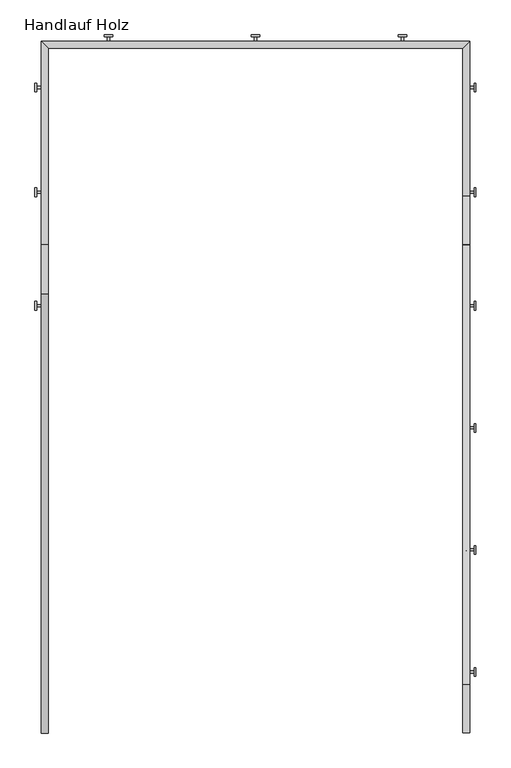
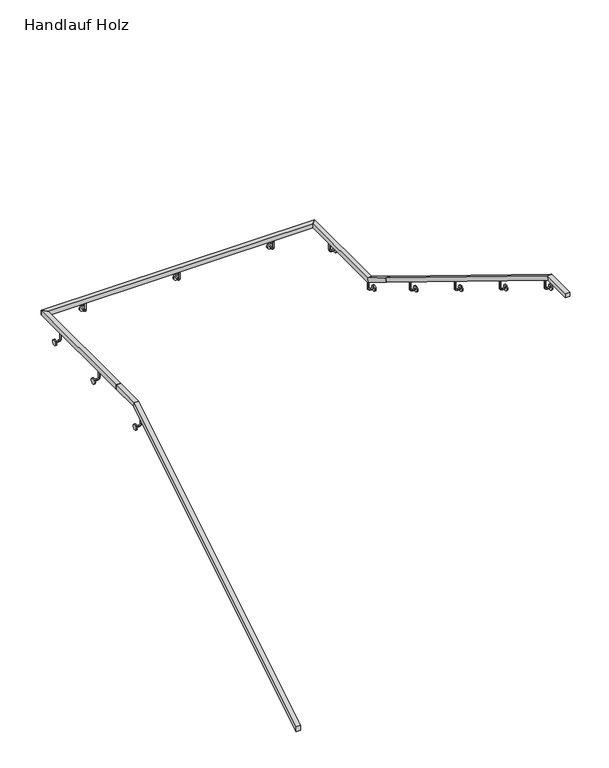
"""IFC4 building model written with IfcOpenShell, lengths in millimetres: railing geometry, Handlauf Holz."""

from ifc_helpers import new_model, si_unit, point, frame, frame_2d, origin, place, context, project, spatial, circle_curve, ellipse_curve, trimmed, segment, composite_curve, outline, extrude, faceted_brep, source, transform, mapped, element, save
from ifc_brep_helpers import plane_surface, cylinder_surface, revolved_surface, advanced_brep


def handlauf_holz_554b92a1(model_context):
    return source(origin(), model_context, "Body", "SolidModel", [
        faceted_brep([(11017.0, 3985.4, 4675.0), (11017.0, 3985.4, 4628.0610765), (11057.0, 3985.4, 4628.0610765), (11057.0, 3985.4, 4675.0), (11017.0, 6550.4, 6250.0), (11017.0, 6561.7005326, 6210.0), (11057.0, 6561.7005326, 6210.0), (11057.0, 6550.4, 6250.0), (11017.0, 6835.4, 6250.0), (11057.0, 6835.4, 6250.0), (11057.0, 6835.4, 6210.0), (11017.0, 6835.4, 6210.0)], [[[0, 1, 2, 3]], [[1, 0, 4, 5]], [[2, 1, 5, 6]], [[3, 2, 6, 7]], [[0, 3, 7, 4]], [[8, 9, 10, 11]], [[5, 4, 8, 11]], [[6, 5, 11, 10]], [[7, 6, 10, 9]], [[4, 7, 9, 8]]]),
        faceted_brep([(11017.0, 6835.4, 6250.0), (11017.0, 6835.4, 6210.0), (11057.0, 6835.4, 6210.0), (11057.0, 6835.4, 6250.0), (11017.0, 8023.0, 6250.0), (11057.0, 7983.0, 6250.0), (11057.0, 7983.0, 6210.0), (11017.0, 8023.0, 6210.0)], [[[0, 1, 2, 3]], [[4, 5, 6, 7]], [[1, 0, 4, 7]], [[2, 1, 7, 6]], [[3, 2, 6, 5]], [[0, 3, 5, 4]]]),
        faceted_brep([(11017.0, 8023.0, 6250.0), (11017.0, 8023.0, 6210.0), (11057.0, 7983.0, 6210.0), (11057.0, 7983.0, 6250.0), (13517.2, 8023.0, 6250.0), (13477.2, 7983.0, 6250.0), (13477.2, 7983.0, 6210.0), (13517.2, 8023.0, 6210.0)], [[[0, 1, 2, 3]], [[4, 5, 6, 7]], [[1, 0, 4, 7]], [[2, 1, 7, 6]], [[3, 2, 6, 5]], [[0, 3, 5, 4]]]),
        faceted_brep([(13517.2, 8023.0, 6250.0), (13517.2, 8023.0, 6210.0), (13477.2, 7983.0, 6210.0), (13477.2, 7983.0, 6250.0), (13517.2, 7120.4, 6250.0), (13517.2, 7109.0994674, 6210.0), (13477.2, 7109.0994674, 6210.0), (13477.2, 7120.4, 6250.0), (13517.2, 6835.4, 6425.0), (13477.2, 6835.4, 6425.0), (13477.2, 6814.4694787, 6390.913151), (13517.2, 6814.4694787, 6390.913151)], [[[0, 1, 2, 3]], [[1, 0, 4, 5]], [[2, 1, 5, 6]], [[3, 2, 6, 7]], [[0, 3, 7, 4]], [[8, 9, 10, 11]], [[5, 4, 8, 11]], [[6, 5, 11, 10]], [[7, 6, 10, 9]], [[4, 7, 9, 8]]]),
        faceted_brep([(13517.2, 6835.4, 6425.0), (13517.2, 6814.4694787, 6390.913151), (13477.2, 6814.4694787, 6390.913151), (13477.2, 6835.4, 6425.0), (13517.2, 4270.4, 8000.0), (13517.2, 4259.0994674, 7960.0), (13477.2, 4259.0994674, 7960.0), (13477.2, 4270.4, 8000.0), (13517.2, 3985.4, 8000.0), (13477.2, 3985.4, 8000.0), (13477.2, 3985.4, 7960.0), (13517.2, 3985.4, 7960.0)], [[[0, 1, 2, 3]], [[1, 0, 4, 5]], [[2, 1, 5, 6]], [[3, 2, 6, 7]], [[0, 3, 7, 4]], [[8, 9, 10, 11]], [[5, 4, 8, 11]], [[6, 5, 11, 10]], [[7, 6, 10, 9]], [[4, 7, 9, 8]]]),
        advanced_brep(
        [(13497.2, 4348.0, 7897.2), (13497.2, 4335.3, 7897.2), (13497.2, 4335.3, 7840.05), (13497.2, 4348.0, 7840.05), (13516.25, 4335.3, 7821.0), (13516.25, 4348.0, 7821.0), (13544.825, 4348.0, 7821.0), (13544.825, 4335.3, 7821.0)],
        [
            (0, 1, circle_curve(frame((13497.2, 4341.65, 7897.2), z_axis=(0.0, 0.0, 1.0), x_axis=(0.0, -1.0, 0.0)), 6.35)),
            (1, 0, circle_curve(frame((13497.2, 4341.65, 7897.2), z_axis=(0.0, 0.0, 1.0), x_axis=(0.0, -1.0, 0.0)), 6.35)),
            (1, 2),
            (2, 3, circle_curve(frame((13497.2, 4341.65, 7840.05), z_axis=(0.0, 0.0, 1.0), x_axis=(0.0, -1.0, 0.0)), 6.35)),
            (3, 0),
            (3, 2, circle_curve(frame((13497.2, 4341.65, 7840.05), z_axis=(0.0, 0.0, 1.0), x_axis=(0.0, -1.0, 0.0)), 6.35)),
            (4, 5, circle_curve(frame((13516.25, 4341.65, 7821.0), z_axis=(-1.0, 0.0, 0.0), x_axis=(0.0, -1.0, 0.0)), 6.35)),
            (5, 3, circle_curve(frame((13516.25, 4348.0, 7840.05), z_axis=(0.0, 1.0, 0.0), x_axis=(-1.0, 0.0, 0.0)), 19.05)),
            (2, 4, circle_curve(frame((13516.25, 4335.3, 7840.05), z_axis=(0.0, -1.0, 0.0), x_axis=(-1.0, 0.0, 0.0)), 19.05)),
            (5, 4, circle_curve(frame((13516.25, 4341.65, 7821.0), z_axis=(-1.0, 0.0, 0.0), x_axis=(0.0, -1.0, 0.0)), 6.35)),
            (6, 7, circle_curve(frame((13544.825, 4341.65, 7821.0), z_axis=(1.0, 0.0, 0.0), x_axis=(0.0, -1.0, 0.0)), 6.35)),
            (7, 6, circle_curve(frame((13544.825, 4341.65, 7821.0), z_axis=(1.0, 0.0, 0.0), x_axis=(0.0, -1.0, 0.0)), 6.35)),
            (4, 7),
            (6, 5),
        ],
        [
            plane_surface(frame((13497.2, 4335.3, 7897.2), z_axis=(0.0, 0.0, 1.0), x_axis=(1.0, 0.0, 0.0))),
            cylinder_surface(frame((13497.2, 4341.65, 7897.2), z_axis=(0.0, 0.0, 1.0), x_axis=(0.0, -1.0, 0.0)), 6.35),
            revolved_surface(trimmed(ellipse_curve(frame((13497.2, 4341.65, 7840.05), z_axis=(0.0, 0.0, -1.0), x_axis=(0.0, -1.0, 0.0)), 6.35, 6.35), [point((13497.2, 4348.0, 7840.05))], [point((13497.2, 4335.3, 7840.05))], True, "CARTESIAN"), (13516.25, 4341.65, 7840.05), (0.0, 1.0, 0.0)),
            revolved_surface(trimmed(ellipse_curve(frame((13497.2, 4341.65, 7840.05), z_axis=(0.0, 0.0, -1.0), x_axis=(0.0, -1.0, 0.0)), 6.35, 6.35), [point((13497.2, 4335.3, 7840.05))], [point((13497.2, 4348.0, 7840.05))], True, "CARTESIAN"), (13516.25, 4341.65, 7840.05), (0.0, 1.0, 0.0)),
            plane_surface(frame((13544.825, 4341.65, 7814.65), z_axis=(1.0, 0.0, 0.0), x_axis=(0.0, -1.0, 0.0))),
            cylinder_surface(frame((13516.25, 4341.65, 7821.0), z_axis=(-1.0, 0.0, 0.0), x_axis=(0.0, -1.0, 0.0)), 6.35),
        ],
        [
            (0, [[1, 2]]),
            (1, [[3, 4, 5, -2]]),
            (1, [[-5, 6, -3, -1]]),
            (2, [[7, 8, -4, 9]]),
            (3, [[10, -9, -6, -8]]),
            (4, [[11, 12]]),
            (5, [[13, -11, 14, -7]]),
            (5, [[-14, -12, -13, -10]]),
        ],
    ),
        extrude(outline(composite_curve([segment(trimmed(circle_curve(frame_2d((4341.65, 7821.0)), 25.4), [point((4316.25, 7821.0))], [point((4367.05, 7821.0))], False, "CARTESIAN"), True, "CONTINUOUS"), segment(trimmed(circle_curve(frame_2d((4341.65, 7821.0)), 25.4), [point((4367.05, 7821.0))], [point((4316.25, 7821.0))], False, "CARTESIAN"), True, "CONTINUOUS")], self_intersect=False)), frame((13544.825, 0.0, 0.0), z_axis=(1.0, 0.0, 0.0), x_axis=(0.0, 1.0, 0.0)), (0.0, 0.0, 1.0), 9.525),
        advanced_brep(
        [(13497.2, 5060.5, 7459.7), (13497.2, 5047.8, 7459.7), (13497.2, 5047.8, 7402.55), (13497.2, 5060.5, 7402.55), (13516.25, 5047.8, 7383.5), (13516.25, 5060.5, 7383.5), (13544.825, 5060.5, 7383.5), (13544.825, 5047.8, 7383.5)],
        [
            (0, 1, circle_curve(frame((13497.2, 5054.15, 7459.7), z_axis=(0.0, 0.0, 1.0), x_axis=(0.0, -1.0, 0.0)), 6.35)),
            (1, 0, circle_curve(frame((13497.2, 5054.15, 7459.7), z_axis=(0.0, 0.0, 1.0), x_axis=(0.0, -1.0, 0.0)), 6.35)),
            (1, 2),
            (2, 3, circle_curve(frame((13497.2, 5054.15, 7402.55), z_axis=(0.0, 0.0, 1.0), x_axis=(0.0, -1.0, 0.0)), 6.35)),
            (3, 0),
            (3, 2, circle_curve(frame((13497.2, 5054.15, 7402.55), z_axis=(0.0, 0.0, 1.0), x_axis=(0.0, -1.0, 0.0)), 6.35)),
            (4, 5, circle_curve(frame((13516.25, 5054.15, 7383.5), z_axis=(-1.0, 0.0, 0.0), x_axis=(0.0, -1.0, 0.0)), 6.35)),
            (5, 3, circle_curve(frame((13516.25, 5060.5, 7402.55), z_axis=(0.0, 1.0, 0.0), x_axis=(-1.0, 0.0, 0.0)), 19.05)),
            (2, 4, circle_curve(frame((13516.25, 5047.8, 7402.55), z_axis=(0.0, -1.0, 0.0), x_axis=(-1.0, 0.0, 0.0)), 19.05)),
            (5, 4, circle_curve(frame((13516.25, 5054.15, 7383.5), z_axis=(-1.0, 0.0, 0.0), x_axis=(0.0, -1.0, 0.0)), 6.35)),
            (6, 7, circle_curve(frame((13544.825, 5054.15, 7383.5), z_axis=(1.0, 0.0, 0.0), x_axis=(0.0, -1.0, 0.0)), 6.35)),
            (7, 6, circle_curve(frame((13544.825, 5054.15, 7383.5), z_axis=(1.0, 0.0, 0.0), x_axis=(0.0, -1.0, 0.0)), 6.35)),
            (4, 7),
            (6, 5),
        ],
        [
            plane_surface(frame((13497.2, 5047.8, 7459.7), z_axis=(0.0, 0.0, 1.0), x_axis=(1.0, 0.0, 0.0))),
            cylinder_surface(frame((13497.2, 5054.15, 7459.7), z_axis=(0.0, 0.0, 1.0), x_axis=(0.0, -1.0, 0.0)), 6.35),
            revolved_surface(trimmed(ellipse_curve(frame((13497.2, 5054.15, 7402.55), z_axis=(0.0, 0.0, -1.0), x_axis=(0.0, -1.0, 0.0)), 6.35, 6.35), [point((13497.2, 5060.5, 7402.55))], [point((13497.2, 5047.8, 7402.55))], True, "CARTESIAN"), (13516.25, 5054.15, 7402.55), (0.0, 1.0, 0.0)),
            revolved_surface(trimmed(ellipse_curve(frame((13497.2, 5054.15, 7402.55), z_axis=(0.0, 0.0, -1.0), x_axis=(0.0, -1.0, 0.0)), 6.35, 6.35), [point((13497.2, 5047.8, 7402.55))], [point((13497.2, 5060.5, 7402.55))], True, "CARTESIAN"), (13516.25, 5054.15, 7402.55), (0.0, 1.0, 0.0)),
            plane_surface(frame((13544.825, 5054.15, 7377.15), z_axis=(1.0, 0.0, 0.0), x_axis=(0.0, -1.0, 0.0))),
            cylinder_surface(frame((13516.25, 5054.15, 7383.5), z_axis=(-1.0, 0.0, 0.0), x_axis=(0.0, -1.0, 0.0)), 6.35),
        ],
        [
            (0, [[1, 2]]),
            (1, [[3, 4, 5, -2]]),
            (1, [[-5, 6, -3, -1]]),
            (2, [[7, 8, -4, 9]]),
            (3, [[10, -9, -6, -8]]),
            (4, [[11, 12]]),
            (5, [[13, -11, 14, -7]]),
            (5, [[-14, -12, -13, -10]]),
        ],
    ),
        extrude(outline(composite_curve([segment(trimmed(circle_curve(frame_2d((5054.15, 7383.5)), 25.4), [point((5028.75, 7383.5))], [point((5079.55, 7383.5))], False, "CARTESIAN"), True, "CONTINUOUS"), segment(trimmed(circle_curve(frame_2d((5054.15, 7383.5)), 25.4), [point((5079.55, 7383.5))], [point((5028.75, 7383.5))], False, "CARTESIAN"), True, "CONTINUOUS")], self_intersect=False)), frame((13544.825, 0.0, 0.0), z_axis=(1.0, 0.0, 0.0), x_axis=(0.0, 1.0, 0.0)), (0.0, 0.0, 1.0), 9.525),
        advanced_brep(
        [(13497.2, 5773.0, 7022.2), (13497.2, 5760.3, 7022.2), (13497.2, 5760.3, 6965.05), (13497.2, 5773.0, 6965.05), (13516.25, 5760.3, 6946.0), (13516.25, 5773.0, 6946.0), (13544.825, 5773.0, 6946.0), (13544.825, 5760.3, 6946.0)],
        [
            (0, 1, circle_curve(frame((13497.2, 5766.65, 7022.2), z_axis=(0.0, 0.0, 1.0), x_axis=(0.0, -1.0, 0.0)), 6.35)),
            (1, 0, circle_curve(frame((13497.2, 5766.65, 7022.2), z_axis=(0.0, 0.0, 1.0), x_axis=(0.0, -1.0, 0.0)), 6.35)),
            (1, 2),
            (2, 3, circle_curve(frame((13497.2, 5766.65, 6965.05), z_axis=(0.0, 0.0, 1.0), x_axis=(0.0, -1.0, 0.0)), 6.35)),
            (3, 0),
            (3, 2, circle_curve(frame((13497.2, 5766.65, 6965.05), z_axis=(0.0, 0.0, 1.0), x_axis=(0.0, -1.0, 0.0)), 6.35)),
            (4, 5, circle_curve(frame((13516.25, 5766.65, 6946.0), z_axis=(-1.0, 0.0, 0.0), x_axis=(0.0, -1.0, 0.0)), 6.35)),
            (5, 3, circle_curve(frame((13516.25, 5773.0, 6965.05), z_axis=(0.0, 1.0, 0.0), x_axis=(-1.0, 0.0, 0.0)), 19.05)),
            (2, 4, circle_curve(frame((13516.25, 5760.3, 6965.05), z_axis=(0.0, -1.0, 0.0), x_axis=(-1.0, 0.0, 0.0)), 19.05)),
            (5, 4, circle_curve(frame((13516.25, 5766.65, 6946.0), z_axis=(-1.0, 0.0, 0.0), x_axis=(0.0, -1.0, 0.0)), 6.35)),
            (6, 7, circle_curve(frame((13544.825, 5766.65, 6946.0), z_axis=(1.0, 0.0, 0.0), x_axis=(0.0, -1.0, 0.0)), 6.35)),
            (7, 6, circle_curve(frame((13544.825, 5766.65, 6946.0), z_axis=(1.0, 0.0, 0.0), x_axis=(0.0, -1.0, 0.0)), 6.35)),
            (4, 7),
            (6, 5),
        ],
        [
            plane_surface(frame((13497.2, 5760.3, 7022.2), z_axis=(0.0, 0.0, 1.0), x_axis=(1.0, 0.0, 0.0))),
            cylinder_surface(frame((13497.2, 5766.65, 7022.2), z_axis=(0.0, 0.0, 1.0), x_axis=(0.0, -1.0, 0.0)), 6.35),
            revolved_surface(trimmed(ellipse_curve(frame((13497.2, 5766.65, 6965.05), z_axis=(0.0, 0.0, -1.0), x_axis=(0.0, -1.0, 0.0)), 6.35, 6.35), [point((13497.2, 5773.0, 6965.05))], [point((13497.2, 5760.3, 6965.05))], True, "CARTESIAN"), (13516.25, 5766.65, 6965.05), (0.0, 1.0, 0.0)),
            revolved_surface(trimmed(ellipse_curve(frame((13497.2, 5766.65, 6965.05), z_axis=(0.0, 0.0, -1.0), x_axis=(0.0, -1.0, 0.0)), 6.35, 6.35), [point((13497.2, 5760.3, 6965.05))], [point((13497.2, 5773.0, 6965.05))], True, "CARTESIAN"), (13516.25, 5766.65, 6965.05), (0.0, 1.0, 0.0)),
            plane_surface(frame((13544.825, 5766.65, 6939.65), z_axis=(1.0, 0.0, 0.0), x_axis=(0.0, -1.0, 0.0))),
            cylinder_surface(frame((13516.25, 5766.65, 6946.0), z_axis=(-1.0, 0.0, 0.0), x_axis=(0.0, -1.0, 0.0)), 6.35),
        ],
        [
            (0, [[1, 2]]),
            (1, [[3, 4, 5, -2]]),
            (1, [[-5, 6, -3, -1]]),
            (2, [[7, 8, -4, 9]]),
            (3, [[10, -9, -6, -8]]),
            (4, [[11, 12]]),
            (5, [[13, -11, 14, -7]]),
            (5, [[-14, -12, -13, -10]]),
        ],
    ),
        extrude(outline(composite_curve([segment(trimmed(circle_curve(frame_2d((5766.65, 6946.0)), 25.4), [point((5741.25, 6946.0))], [point((5792.05, 6946.0))], False, "CARTESIAN"), True, "CONTINUOUS"), segment(trimmed(circle_curve(frame_2d((5766.65, 6946.0)), 25.4), [point((5792.05, 6946.0))], [point((5741.25, 6946.0))], False, "CARTESIAN"), True, "CONTINUOUS")], self_intersect=False)), frame((13544.825, 0.0, 0.0), z_axis=(1.0, 0.0, 0.0), x_axis=(0.0, 1.0, 0.0)), (0.0, 0.0, 1.0), 9.525),
        advanced_brep(
        [(13497.2, 6485.5, 6584.7), (13497.2, 6472.8, 6584.7), (13497.2, 6472.8, 6527.55), (13497.2, 6485.5, 6527.55), (13516.25, 6472.8, 6508.5), (13516.25, 6485.5, 6508.5), (13544.825, 6485.5, 6508.5), (13544.825, 6472.8, 6508.5)],
        [
            (0, 1, circle_curve(frame((13497.2, 6479.15, 6584.7), z_axis=(0.0, 0.0, 1.0), x_axis=(0.0, -1.0, 0.0)), 6.35)),
            (1, 0, circle_curve(frame((13497.2, 6479.15, 6584.7), z_axis=(0.0, 0.0, 1.0), x_axis=(0.0, -1.0, 0.0)), 6.35)),
            (1, 2),
            (2, 3, circle_curve(frame((13497.2, 6479.15, 6527.55), z_axis=(0.0, 0.0, 1.0), x_axis=(0.0, -1.0, 0.0)), 6.35)),
            (3, 0),
            (3, 2, circle_curve(frame((13497.2, 6479.15, 6527.55), z_axis=(0.0, 0.0, 1.0), x_axis=(0.0, -1.0, 0.0)), 6.35)),
            (4, 5, circle_curve(frame((13516.25, 6479.15, 6508.5), z_axis=(-1.0, 0.0, 0.0), x_axis=(0.0, -1.0, 0.0)), 6.35)),
            (5, 3, circle_curve(frame((13516.25, 6485.5, 6527.55), z_axis=(0.0, 1.0, 0.0), x_axis=(-1.0, 0.0, 0.0)), 19.05)),
            (2, 4, circle_curve(frame((13516.25, 6472.8, 6527.55), z_axis=(0.0, -1.0, 0.0), x_axis=(-1.0, 0.0, 0.0)), 19.05)),
            (5, 4, circle_curve(frame((13516.25, 6479.15, 6508.5), z_axis=(-1.0, 0.0, 0.0), x_axis=(0.0, -1.0, 0.0)), 6.35)),
            (6, 7, circle_curve(frame((13544.825, 6479.15, 6508.5), z_axis=(1.0, 0.0, 0.0), x_axis=(0.0, -1.0, 0.0)), 6.35)),
            (7, 6, circle_curve(frame((13544.825, 6479.15, 6508.5), z_axis=(1.0, 0.0, 0.0), x_axis=(0.0, -1.0, 0.0)), 6.35)),
            (4, 7),
            (6, 5),
        ],
        [
            plane_surface(frame((13497.2, 6472.8, 6584.7), z_axis=(0.0, 0.0, 1.0), x_axis=(1.0, 0.0, 0.0))),
            cylinder_surface(frame((13497.2, 6479.15, 6584.7), z_axis=(0.0, 0.0, 1.0), x_axis=(0.0, -1.0, 0.0)), 6.35),
            revolved_surface(trimmed(ellipse_curve(frame((13497.2, 6479.15, 6527.55), z_axis=(0.0, 0.0, -1.0), x_axis=(0.0, -1.0, 0.0)), 6.35, 6.35), [point((13497.2, 6485.5, 6527.55))], [point((13497.2, 6472.8, 6527.55))], True, "CARTESIAN"), (13516.25, 6479.15, 6527.55), (0.0, 1.0, 0.0)),
            revolved_surface(trimmed(ellipse_curve(frame((13497.2, 6479.15, 6527.55), z_axis=(0.0, 0.0, -1.0), x_axis=(0.0, -1.0, 0.0)), 6.35, 6.35), [point((13497.2, 6472.8, 6527.55))], [point((13497.2, 6485.5, 6527.55))], True, "CARTESIAN"), (13516.25, 6479.15, 6527.55), (0.0, 1.0, 0.0)),
            plane_surface(frame((13544.825, 6479.15, 6502.15), z_axis=(1.0, 0.0, 0.0), x_axis=(0.0, -1.0, 0.0))),
            cylinder_surface(frame((13516.25, 6479.15, 6508.5), z_axis=(-1.0, 0.0, 0.0), x_axis=(0.0, -1.0, 0.0)), 6.35),
        ],
        [
            (0, [[1, 2]]),
            (1, [[3, 4, 5, -2]]),
            (1, [[-5, 6, -3, -1]]),
            (2, [[7, 8, -4, 9]]),
            (3, [[10, -9, -6, -8]]),
            (4, [[11, 12]]),
            (5, [[13, -11, 14, -7]]),
            (5, [[-14, -12, -13, -10]]),
        ],
    ),
        extrude(outline(composite_curve([segment(trimmed(circle_curve(frame_2d((6479.15, 6508.5)), 25.4), [point((6453.75, 6508.5))], [point((6504.55, 6508.5))], False, "CARTESIAN"), True, "CONTINUOUS"), segment(trimmed(circle_curve(frame_2d((6479.15, 6508.5)), 25.4), [point((6504.55, 6508.5))], [point((6453.75, 6508.5))], False, "CARTESIAN"), True, "CONTINUOUS")], self_intersect=False)), frame((13544.825, 0.0, 0.0), z_axis=(1.0, 0.0, 0.0), x_axis=(0.0, 1.0, 0.0)), (0.0, 0.0, 1.0), 9.525),
        advanced_brep(
        [(13497.2, 7147.9, 6190.95), (13497.2, 7135.2, 6190.95), (13497.2, 7135.2, 6133.8), (13497.2, 7147.9, 6133.8), (13516.25, 7135.2, 6114.75), (13516.25, 7147.9, 6114.75), (13544.825, 7147.9, 6114.75), (13544.825, 7135.2, 6114.75)],
        [
            (0, 1, circle_curve(frame((13497.2, 7141.55, 6190.95), z_axis=(0.0, 0.0, 1.0), x_axis=(0.0, -1.0, 0.0)), 6.35)),
            (1, 0, circle_curve(frame((13497.2, 7141.55, 6190.95), z_axis=(0.0, 0.0, 1.0), x_axis=(0.0, -1.0, 0.0)), 6.35)),
            (1, 2),
            (2, 3, circle_curve(frame((13497.2, 7141.55, 6133.8), z_axis=(0.0, 0.0, 1.0), x_axis=(0.0, -1.0, 0.0)), 6.35)),
            (3, 0),
            (3, 2, circle_curve(frame((13497.2, 7141.55, 6133.8), z_axis=(0.0, 0.0, 1.0), x_axis=(0.0, -1.0, 0.0)), 6.35)),
            (4, 5, circle_curve(frame((13516.25, 7141.55, 6114.75), z_axis=(-1.0, 0.0, 0.0), x_axis=(0.0, -1.0, 0.0)), 6.35)),
            (5, 3, circle_curve(frame((13516.25, 7147.9, 6133.8), z_axis=(0.0, 1.0, 0.0), x_axis=(-1.0, 0.0, 0.0)), 19.05)),
            (2, 4, circle_curve(frame((13516.25, 7135.2, 6133.8), z_axis=(0.0, -1.0, 0.0), x_axis=(-1.0, 0.0, 0.0)), 19.05)),
            (5, 4, circle_curve(frame((13516.25, 7141.55, 6114.75), z_axis=(-1.0, 0.0, 0.0), x_axis=(0.0, -1.0, 0.0)), 6.35)),
            (6, 7, circle_curve(frame((13544.825, 7141.55, 6114.75), z_axis=(1.0, 0.0, 0.0), x_axis=(0.0, -1.0, 0.0)), 6.35)),
            (7, 6, circle_curve(frame((13544.825, 7141.55, 6114.75), z_axis=(1.0, 0.0, 0.0), x_axis=(0.0, -1.0, 0.0)), 6.35)),
            (4, 7),
            (6, 5),
        ],
        [
            plane_surface(frame((13497.2, 7135.2, 6190.95), z_axis=(0.0, 0.0, 1.0), x_axis=(1.0, 0.0, 0.0))),
            cylinder_surface(frame((13497.2, 7141.55, 6190.95), z_axis=(0.0, 0.0, 1.0), x_axis=(0.0, -1.0, 0.0)), 6.35),
            revolved_surface(trimmed(ellipse_curve(frame((13497.2, 7141.55, 6133.8), z_axis=(0.0, 0.0, -1.0), x_axis=(0.0, -1.0, 0.0)), 6.35, 6.35), [point((13497.2, 7147.9, 6133.8))], [point((13497.2, 7135.2, 6133.8))], True, "CARTESIAN"), (13516.25, 7141.55, 6133.8), (0.0, 1.0, 0.0)),
            revolved_surface(trimmed(ellipse_curve(frame((13497.2, 7141.55, 6133.8), z_axis=(0.0, 0.0, -1.0), x_axis=(0.0, -1.0, 0.0)), 6.35, 6.35), [point((13497.2, 7135.2, 6133.8))], [point((13497.2, 7147.9, 6133.8))], True, "CARTESIAN"), (13516.25, 7141.55, 6133.8), (0.0, 1.0, 0.0)),
            plane_surface(frame((13544.825, 7141.55, 6108.4), z_axis=(1.0, 0.0, 0.0), x_axis=(0.0, -1.0, 0.0))),
            cylinder_surface(frame((13516.25, 7141.55, 6114.75), z_axis=(-1.0, 0.0, 0.0), x_axis=(0.0, -1.0, 0.0)), 6.35),
        ],
        [
            (0, [[1, 2]]),
            (1, [[3, 4, 5, -2]]),
            (1, [[-5, 6, -3, -1]]),
            (2, [[7, 8, -4, 9]]),
            (3, [[10, -9, -6, -8]]),
            (4, [[11, 12]]),
            (5, [[13, -11, 14, -7]]),
            (5, [[-14, -12, -13, -10]]),
        ],
    ),
        extrude(outline(composite_curve([segment(trimmed(circle_curve(frame_2d((7141.55, 6114.75)), 25.4), [point((7116.15, 6114.75))], [point((7166.95, 6114.75))], False, "CARTESIAN"), True, "CONTINUOUS"), segment(trimmed(circle_curve(frame_2d((7141.55, 6114.75)), 25.4), [point((7166.95, 6114.75))], [point((7116.15, 6114.75))], False, "CARTESIAN"), True, "CONTINUOUS")], self_intersect=False)), frame((13544.825, 0.0, 0.0), z_axis=(1.0, 0.0, 0.0), x_axis=(0.0, 1.0, 0.0)), (0.0, 0.0, 1.0), 9.525),
        advanced_brep(
        [(13497.2, 7760.2, 6190.95), (13497.2, 7747.5, 6190.95), (13497.2, 7747.5, 6133.8), (13497.2, 7760.2, 6133.8), (13516.25, 7747.5, 6114.75), (13516.25, 7760.2, 6114.75), (13544.825, 7760.2, 6114.75), (13544.825, 7747.5, 6114.75)],
        [
            (0, 1, circle_curve(frame((13497.2, 7753.85, 6190.95), z_axis=(0.0, 0.0, 1.0), x_axis=(0.0, -1.0, 0.0)), 6.35)),
            (1, 0, circle_curve(frame((13497.2, 7753.85, 6190.95), z_axis=(0.0, 0.0, 1.0), x_axis=(0.0, -1.0, 0.0)), 6.35)),
            (1, 2),
            (2, 3, circle_curve(frame((13497.2, 7753.85, 6133.8), z_axis=(0.0, 0.0, 1.0), x_axis=(0.0, -1.0, 0.0)), 6.35)),
            (3, 0),
            (3, 2, circle_curve(frame((13497.2, 7753.85, 6133.8), z_axis=(0.0, 0.0, 1.0), x_axis=(0.0, -1.0, 0.0)), 6.35)),
            (4, 5, circle_curve(frame((13516.25, 7753.85, 6114.75), z_axis=(-1.0, 0.0, 0.0), x_axis=(0.0, -1.0, 0.0)), 6.35)),
            (5, 3, circle_curve(frame((13516.25, 7760.2, 6133.8), z_axis=(0.0, 1.0, 0.0), x_axis=(-1.0, 0.0, 0.0)), 19.05)),
            (2, 4, circle_curve(frame((13516.25, 7747.5, 6133.8), z_axis=(0.0, -1.0, 0.0), x_axis=(-1.0, 0.0, 0.0)), 19.05)),
            (5, 4, circle_curve(frame((13516.25, 7753.85, 6114.75), z_axis=(-1.0, 0.0, 0.0), x_axis=(0.0, -1.0, 0.0)), 6.35)),
            (6, 7, circle_curve(frame((13544.825, 7753.85, 6114.75), z_axis=(1.0, 0.0, 0.0), x_axis=(0.0, -1.0, 0.0)), 6.35)),
            (7, 6, circle_curve(frame((13544.825, 7753.85, 6114.75), z_axis=(1.0, 0.0, 0.0), x_axis=(0.0, -1.0, 0.0)), 6.35)),
            (4, 7),
            (6, 5),
        ],
        [
            plane_surface(frame((13497.2, 7747.5, 6190.95), z_axis=(0.0, 0.0, 1.0), x_axis=(1.0, 0.0, 0.0))),
            cylinder_surface(frame((13497.2, 7753.85, 6190.95), z_axis=(0.0, 0.0, 1.0), x_axis=(0.0, -1.0, 0.0)), 6.35),
            revolved_surface(trimmed(ellipse_curve(frame((13497.2, 7753.85, 6133.8), z_axis=(0.0, 0.0, -1.0), x_axis=(0.0, -1.0, 0.0)), 6.35, 6.35), [point((13497.2, 7760.2, 6133.8))], [point((13497.2, 7747.5, 6133.8))], True, "CARTESIAN"), (13516.25, 7753.85, 6133.8), (0.0, 1.0, 0.0)),
            revolved_surface(trimmed(ellipse_curve(frame((13497.2, 7753.85, 6133.8), z_axis=(0.0, 0.0, -1.0), x_axis=(0.0, -1.0, 0.0)), 6.35, 6.35), [point((13497.2, 7747.5, 6133.8))], [point((13497.2, 7760.2, 6133.8))], True, "CARTESIAN"), (13516.25, 7753.85, 6133.8), (0.0, 1.0, 0.0)),
            plane_surface(frame((13544.825, 7753.85, 6108.4), z_axis=(1.0, 0.0, 0.0), x_axis=(0.0, -1.0, 0.0))),
            cylinder_surface(frame((13516.25, 7753.85, 6114.75), z_axis=(-1.0, 0.0, 0.0), x_axis=(0.0, -1.0, 0.0)), 6.35),
        ],
        [
            (0, [[1, 2]]),
            (1, [[3, 4, 5, -2]]),
            (1, [[-5, 6, -3, -1]]),
            (2, [[7, 8, -4, 9]]),
            (3, [[10, -9, -6, -8]]),
            (4, [[11, 12]]),
            (5, [[13, -11, 14, -7]]),
            (5, [[-14, -12, -13, -10]]),
        ],
    ),
        extrude(outline(composite_curve([segment(trimmed(circle_curve(frame_2d((7753.85, 6114.75)), 25.4), [point((7728.45, 6114.75))], [point((7779.25, 6114.75))], False, "CARTESIAN"), True, "CONTINUOUS"), segment(trimmed(circle_curve(frame_2d((7753.85, 6114.75)), 25.4), [point((7779.25, 6114.75))], [point((7728.45, 6114.75))], False, "CARTESIAN"), True, "CONTINUOUS")], self_intersect=False)), frame((13544.825, 0.0, 0.0), z_axis=(1.0, 0.0, 0.0), x_axis=(0.0, 1.0, 0.0)), (0.0, 0.0, 1.0), 9.525),
        advanced_brep(
        [(13118.8166667, 8003.0, 6190.95), (13131.5166667, 8003.0, 6190.95), (13131.5166667, 8003.0, 6133.8), (13118.8166667, 8003.0, 6133.8), (13131.5166667, 8022.05, 6114.75), (13118.8166667, 8022.05, 6114.75), (13118.8166667, 8050.625, 6114.75), (13131.5166667, 8050.625, 6114.75)],
        [
            (0, 1, circle_curve(frame((13125.1666667, 8003.0, 6190.95), z_axis=(0.0, 0.0, 1.0), x_axis=(1.0, 0.0, 0.0)), 6.35)),
            (1, 0, circle_curve(frame((13125.1666667, 8003.0, 6190.95), z_axis=(0.0, 0.0, 1.0), x_axis=(1.0, 0.0, 0.0)), 6.35)),
            (1, 2),
            (2, 3, circle_curve(frame((13125.1666667, 8003.0, 6133.8), z_axis=(0.0, 0.0, 1.0), x_axis=(1.0, 0.0, 0.0)), 6.35)),
            (3, 0),
            (3, 2, circle_curve(frame((13125.1666667, 8003.0, 6133.8), z_axis=(0.0, 0.0, 1.0), x_axis=(1.0, 0.0, 0.0)), 6.35)),
            (4, 5, circle_curve(frame((13125.1666667, 8022.05, 6114.75), z_axis=(0.0, -1.0, 0.0), x_axis=(1.0, 0.0, 0.0)), 6.35)),
            (5, 3, circle_curve(frame((13118.8166667, 8022.05, 6133.8), z_axis=(-1.0, 0.0, 0.0), x_axis=(0.0, -1.0, 0.0)), 19.05)),
            (2, 4, circle_curve(frame((13131.5166667, 8022.05, 6133.8), z_axis=(1.0, 0.0, 0.0), x_axis=(0.0, -1.0, 0.0)), 19.05)),
            (5, 4, circle_curve(frame((13125.1666667, 8022.05, 6114.75), z_axis=(0.0, -1.0, 0.0), x_axis=(1.0, 0.0, 0.0)), 6.35)),
            (6, 7, circle_curve(frame((13125.1666667, 8050.625, 6114.75), z_axis=(0.0, 1.0, 0.0), x_axis=(1.0, 0.0, 0.0)), 6.35)),
            (7, 6, circle_curve(frame((13125.1666667, 8050.625, 6114.75), z_axis=(0.0, 1.0, 0.0), x_axis=(1.0, 0.0, 0.0)), 6.35)),
            (4, 7),
            (6, 5),
        ],
        [
            plane_surface(frame((13131.5166667, 8003.0, 6190.95), z_axis=(0.0, 0.0, 1.0), x_axis=(0.0, 1.0, 0.0))),
            cylinder_surface(frame((13125.1666667, 8003.0, 6190.95), z_axis=(0.0, 0.0, 1.0), x_axis=(1.0, 0.0, 0.0)), 6.35),
            revolved_surface(trimmed(ellipse_curve(frame((13125.1666667, 8003.0, 6133.8), z_axis=(0.0, 0.0, -1.0), x_axis=(1.0, 0.0, 0.0)), 6.35, 6.35), [point((13118.8166667, 8003.0, 6133.8))], [point((13131.5166667, 8003.0, 6133.8))], True, "CARTESIAN"), (13125.1666667, 8022.05, 6133.8), (-1.0, 0.0, 0.0)),
            revolved_surface(trimmed(ellipse_curve(frame((13125.1666667, 8003.0, 6133.8), z_axis=(0.0, 0.0, -1.0), x_axis=(1.0, 0.0, 0.0)), 6.35, 6.35), [point((13131.5166667, 8003.0, 6133.8))], [point((13118.8166667, 8003.0, 6133.8))], True, "CARTESIAN"), (13125.1666667, 8022.05, 6133.8), (-1.0, 0.0, 0.0)),
            plane_surface(frame((13125.1666667, 8050.625, 6108.4), z_axis=(0.0, 1.0, 0.0), x_axis=(1.0, 0.0, 0.0))),
            cylinder_surface(frame((13125.1666667, 8022.05, 6114.75), z_axis=(0.0, -1.0, 0.0), x_axis=(1.0, 0.0, 0.0)), 6.35),
        ],
        [
            (0, [[1, 2]]),
            (1, [[3, 4, 5, -2]]),
            (1, [[-5, 6, -3, -1]]),
            (2, [[7, 8, -4, 9]]),
            (3, [[10, -9, -6, -8]]),
            (4, [[11, 12]]),
            (5, [[13, -11, 14, -7]]),
            (5, [[-14, -12, -13, -10]]),
        ],
    ),
        extrude(outline(composite_curve([segment(trimmed(circle_curve(frame_2d((6114.75, 13125.1666667)), 25.4), [point((6114.75, 13150.5666667))], [point((6114.75, 13099.7666667))], False, "CARTESIAN"), True, "CONTINUOUS"), segment(trimmed(circle_curve(frame_2d((6114.75, 13125.1666667)), 25.4), [point((6114.75, 13099.7666667))], [point((6114.75, 13150.5666667))], False, "CARTESIAN"), True, "CONTINUOUS")], self_intersect=False)), frame((0.0, 8050.625, 0.0), z_axis=(0.0, 1.0, 0.0), x_axis=(0.0, 0.0, 1.0)), (0.0, 0.0, 1.0), 9.525),
        advanced_brep(
        [(12260.75, 8003.0, 6190.95), (12273.45, 8003.0, 6190.95), (12273.45, 8003.0, 6133.8), (12260.75, 8003.0, 6133.8), (12273.45, 8022.05, 6114.75), (12260.75, 8022.05, 6114.75), (12260.75, 8050.625, 6114.75), (12273.45, 8050.625, 6114.75)],
        [
            (0, 1, circle_curve(frame((12267.1, 8003.0, 6190.95), z_axis=(0.0, 0.0, 1.0), x_axis=(1.0, 0.0, 0.0)), 6.35)),
            (1, 0, circle_curve(frame((12267.1, 8003.0, 6190.95), z_axis=(0.0, 0.0, 1.0), x_axis=(1.0, 0.0, 0.0)), 6.35)),
            (1, 2),
            (2, 3, circle_curve(frame((12267.1, 8003.0, 6133.8), z_axis=(0.0, 0.0, 1.0), x_axis=(1.0, 0.0, 0.0)), 6.35)),
            (3, 0),
            (3, 2, circle_curve(frame((12267.1, 8003.0, 6133.8), z_axis=(0.0, 0.0, 1.0), x_axis=(1.0, 0.0, 0.0)), 6.35)),
            (4, 5, circle_curve(frame((12267.1, 8022.05, 6114.75), z_axis=(0.0, -1.0, 0.0), x_axis=(1.0, 0.0, 0.0)), 6.35)),
            (5, 3, circle_curve(frame((12260.75, 8022.05, 6133.8), z_axis=(-1.0, 0.0, 0.0), x_axis=(0.0, -1.0, 0.0)), 19.05)),
            (2, 4, circle_curve(frame((12273.45, 8022.05, 6133.8), z_axis=(1.0, 0.0, 0.0), x_axis=(0.0, -1.0, 0.0)), 19.05)),
            (5, 4, circle_curve(frame((12267.1, 8022.05, 6114.75), z_axis=(0.0, -1.0, 0.0), x_axis=(1.0, 0.0, 0.0)), 6.35)),
            (6, 7, circle_curve(frame((12267.1, 8050.625, 6114.75), z_axis=(0.0, 1.0, 0.0), x_axis=(1.0, 0.0, 0.0)), 6.35)),
            (7, 6, circle_curve(frame((12267.1, 8050.625, 6114.75), z_axis=(0.0, 1.0, 0.0), x_axis=(1.0, 0.0, 0.0)), 6.35)),
            (4, 7),
            (6, 5),
        ],
        [
            plane_surface(frame((12273.45, 8003.0, 6190.95), z_axis=(0.0, 0.0, 1.0), x_axis=(0.0, 1.0, 0.0))),
            cylinder_surface(frame((12267.1, 8003.0, 6190.95), z_axis=(0.0, 0.0, 1.0), x_axis=(1.0, 0.0, 0.0)), 6.35),
            revolved_surface(trimmed(ellipse_curve(frame((12267.1, 8003.0, 6133.8), z_axis=(0.0, 0.0, -1.0), x_axis=(1.0, 0.0, 0.0)), 6.35, 6.35), [point((12260.75, 8003.0, 6133.8))], [point((12273.45, 8003.0, 6133.8))], True, "CARTESIAN"), (12267.1, 8022.05, 6133.8), (-1.0, 0.0, 0.0)),
            revolved_surface(trimmed(ellipse_curve(frame((12267.1, 8003.0, 6133.8), z_axis=(0.0, 0.0, -1.0), x_axis=(1.0, 0.0, 0.0)), 6.35, 6.35), [point((12273.45, 8003.0, 6133.8))], [point((12260.75, 8003.0, 6133.8))], True, "CARTESIAN"), (12267.1, 8022.05, 6133.8), (-1.0, 0.0, 0.0)),
            plane_surface(frame((12267.1, 8050.625, 6108.4), z_axis=(0.0, 1.0, 0.0), x_axis=(1.0, 0.0, 0.0))),
            cylinder_surface(frame((12267.1, 8022.05, 6114.75), z_axis=(0.0, -1.0, 0.0), x_axis=(1.0, 0.0, 0.0)), 6.35),
        ],
        [
            (0, [[1, 2]]),
            (1, [[3, 4, 5, -2]]),
            (1, [[-5, 6, -3, -1]]),
            (2, [[7, 8, -4, 9]]),
            (3, [[10, -9, -6, -8]]),
            (4, [[11, 12]]),
            (5, [[13, -11, 14, -7]]),
            (5, [[-14, -12, -13, -10]]),
        ],
    ),
        extrude(outline(composite_curve([segment(trimmed(circle_curve(frame_2d((6114.75, 12267.1)), 25.4), [point((6114.75, 12292.5))], [point((6114.75, 12241.7))], False, "CARTESIAN"), True, "CONTINUOUS"), segment(trimmed(circle_curve(frame_2d((6114.75, 12267.1)), 25.4), [point((6114.75, 12241.7))], [point((6114.75, 12292.5))], False, "CARTESIAN"), True, "CONTINUOUS")], self_intersect=False)), frame((0.0, 8050.625, 0.0), z_axis=(0.0, 1.0, 0.0), x_axis=(0.0, 0.0, 1.0)), (0.0, 0.0, 1.0), 9.525),
        advanced_brep(
        [(11402.6833333, 8003.0, 6190.95), (11415.3833333, 8003.0, 6190.95), (11415.3833333, 8003.0, 6133.8), (11402.6833333, 8003.0, 6133.8), (11415.3833333, 8022.05, 6114.75), (11402.6833333, 8022.05, 6114.75), (11402.6833333, 8050.625, 6114.75), (11415.3833333, 8050.625, 6114.75)],
        [
            (0, 1, circle_curve(frame((11409.0333333, 8003.0, 6190.95), z_axis=(0.0, 0.0, 1.0), x_axis=(1.0, 0.0, 0.0)), 6.35)),
            (1, 0, circle_curve(frame((11409.0333333, 8003.0, 6190.95), z_axis=(0.0, 0.0, 1.0), x_axis=(1.0, 0.0, 0.0)), 6.35)),
            (1, 2),
            (2, 3, circle_curve(frame((11409.0333333, 8003.0, 6133.8), z_axis=(0.0, 0.0, 1.0), x_axis=(1.0, 0.0, 0.0)), 6.35)),
            (3, 0),
            (3, 2, circle_curve(frame((11409.0333333, 8003.0, 6133.8), z_axis=(0.0, 0.0, 1.0), x_axis=(1.0, 0.0, 0.0)), 6.35)),
            (4, 5, circle_curve(frame((11409.0333333, 8022.05, 6114.75), z_axis=(0.0, -1.0, 0.0), x_axis=(1.0, 0.0, 0.0)), 6.35)),
            (5, 3, circle_curve(frame((11402.6833333, 8022.05, 6133.8), z_axis=(-1.0, 0.0, 0.0), x_axis=(0.0, -1.0, 0.0)), 19.05)),
            (2, 4, circle_curve(frame((11415.3833333, 8022.05, 6133.8), z_axis=(1.0, 0.0, 0.0), x_axis=(0.0, -1.0, 0.0)), 19.05)),
            (5, 4, circle_curve(frame((11409.0333333, 8022.05, 6114.75), z_axis=(0.0, -1.0, 0.0), x_axis=(1.0, 0.0, 0.0)), 6.35)),
            (6, 7, circle_curve(frame((11409.0333333, 8050.625, 6114.75), z_axis=(0.0, 1.0, 0.0), x_axis=(1.0, 0.0, 0.0)), 6.35)),
            (7, 6, circle_curve(frame((11409.0333333, 8050.625, 6114.75), z_axis=(0.0, 1.0, 0.0), x_axis=(1.0, 0.0, 0.0)), 6.35)),
            (4, 7),
            (6, 5),
        ],
        [
            plane_surface(frame((11415.3833333, 8003.0, 6190.95), z_axis=(0.0, 0.0, 1.0), x_axis=(0.0, 1.0, 0.0))),
            cylinder_surface(frame((11409.0333333, 8003.0, 6190.95), z_axis=(0.0, 0.0, 1.0), x_axis=(1.0, 0.0, 0.0)), 6.35),
            revolved_surface(trimmed(ellipse_curve(frame((11409.0333333, 8003.0, 6133.8), z_axis=(0.0, 0.0, -1.0), x_axis=(1.0, 0.0, 0.0)), 6.35, 6.35), [point((11402.6833333, 8003.0, 6133.8))], [point((11415.3833333, 8003.0, 6133.8))], True, "CARTESIAN"), (11409.0333333, 8022.05, 6133.8), (-1.0, 0.0, 0.0)),
            revolved_surface(trimmed(ellipse_curve(frame((11409.0333333, 8003.0, 6133.8), z_axis=(0.0, 0.0, -1.0), x_axis=(1.0, 0.0, 0.0)), 6.35, 6.35), [point((11415.3833333, 8003.0, 6133.8))], [point((11402.6833333, 8003.0, 6133.8))], True, "CARTESIAN"), (11409.0333333, 8022.05, 6133.8), (-1.0, 0.0, 0.0)),
            plane_surface(frame((11409.0333333, 8050.625, 6108.4), z_axis=(0.0, 1.0, 0.0), x_axis=(1.0, 0.0, 0.0))),
            cylinder_surface(frame((11409.0333333, 8022.05, 6114.75), z_axis=(0.0, -1.0, 0.0), x_axis=(1.0, 0.0, 0.0)), 6.35),
        ],
        [
            (0, [[1, 2]]),
            (1, [[3, 4, 5, -2]]),
            (1, [[-5, 6, -3, -1]]),
            (2, [[7, 8, -4, 9]]),
            (3, [[10, -9, -6, -8]]),
            (4, [[11, 12]]),
            (5, [[13, -11, 14, -7]]),
            (5, [[-14, -12, -13, -10]]),
        ],
    ),
        extrude(outline(composite_curve([segment(trimmed(circle_curve(frame_2d((6114.75, 11409.0333333)), 25.4), [point((6114.75, 11434.4333333))], [point((6114.75, 11383.6333333))], False, "CARTESIAN"), True, "CONTINUOUS"), segment(trimmed(circle_curve(frame_2d((6114.75, 11409.0333333)), 25.4), [point((6114.75, 11383.6333333))], [point((6114.75, 11434.4333333))], False, "CARTESIAN"), True, "CONTINUOUS")], self_intersect=False)), frame((0.0, 8050.625, 0.0), z_axis=(0.0, 1.0, 0.0), x_axis=(0.0, 0.0, 1.0)), (0.0, 0.0, 1.0), 9.525),
        advanced_brep(
        [(11037.0, 7747.5, 6190.95), (11037.0, 7760.2, 6190.95), (11037.0, 7760.2, 6133.8), (11037.0, 7747.5, 6133.8), (11017.95, 7760.2, 6114.75), (11017.95, 7747.5, 6114.75), (10989.375, 7747.5, 6114.75), (10989.375, 7760.2, 6114.75)],
        [
            (0, 1, circle_curve(frame((11037.0, 7753.85, 6190.95), z_axis=(0.0, 0.0, 1.0), x_axis=(0.0, 1.0, 0.0)), 6.35)),
            (1, 0, circle_curve(frame((11037.0, 7753.85, 6190.95), z_axis=(0.0, 0.0, 1.0), x_axis=(0.0, 1.0, 0.0)), 6.35)),
            (1, 2),
            (2, 3, circle_curve(frame((11037.0, 7753.85, 6133.8), z_axis=(0.0, 0.0, 1.0), x_axis=(0.0, 1.0, 0.0)), 6.35)),
            (3, 0),
            (3, 2, circle_curve(frame((11037.0, 7753.85, 6133.8), z_axis=(0.0, 0.0, 1.0), x_axis=(0.0, 1.0, 0.0)), 6.35)),
            (4, 5, circle_curve(frame((11017.95, 7753.85, 6114.75), z_axis=(1.0, 0.0, 0.0), x_axis=(0.0, 1.0, 0.0)), 6.35)),
            (5, 3, circle_curve(frame((11017.95, 7747.5, 6133.8), z_axis=(0.0, -1.0, 0.0), x_axis=(1.0, 0.0, 0.0)), 19.05)),
            (2, 4, circle_curve(frame((11017.95, 7760.2, 6133.8), z_axis=(0.0, 1.0, 0.0), x_axis=(1.0, 0.0, 0.0)), 19.05)),
            (5, 4, circle_curve(frame((11017.95, 7753.85, 6114.75), z_axis=(1.0, 0.0, 0.0), x_axis=(0.0, 1.0, 0.0)), 6.35)),
            (6, 7, circle_curve(frame((10989.375, 7753.85, 6114.75), z_axis=(-1.0, 0.0, 0.0), x_axis=(0.0, 1.0, 0.0)), 6.35)),
            (7, 6, circle_curve(frame((10989.375, 7753.85, 6114.75), z_axis=(-1.0, 0.0, 0.0), x_axis=(0.0, 1.0, 0.0)), 6.35)),
            (4, 7),
            (6, 5),
        ],
        [
            plane_surface(frame((11037.0, 7760.2, 6190.95), z_axis=(0.0, 0.0, 1.0), x_axis=(-1.0, 0.0, 0.0))),
            cylinder_surface(frame((11037.0, 7753.85, 6190.95), z_axis=(0.0, 0.0, 1.0), x_axis=(0.0, 1.0, 0.0)), 6.35),
            revolved_surface(trimmed(ellipse_curve(frame((11037.0, 7753.85, 6133.8), z_axis=(0.0, 0.0, -1.0), x_axis=(0.0, 1.0, 0.0)), 6.35, 6.35), [point((11037.0, 7747.5, 6133.8))], [point((11037.0, 7760.2, 6133.8))], True, "CARTESIAN"), (11017.95, 7753.85, 6133.8), (0.0, -1.0, 0.0)),
            revolved_surface(trimmed(ellipse_curve(frame((11037.0, 7753.85, 6133.8), z_axis=(0.0, 0.0, -1.0), x_axis=(0.0, 1.0, 0.0)), 6.35, 6.35), [point((11037.0, 7760.2, 6133.8))], [point((11037.0, 7747.5, 6133.8))], True, "CARTESIAN"), (11017.95, 7753.85, 6133.8), (0.0, -1.0, 0.0)),
            plane_surface(frame((10989.375, 7753.85, 6108.4), z_axis=(-1.0, 0.0, 0.0), x_axis=(0.0, 1.0, 0.0))),
            cylinder_surface(frame((11017.95, 7753.85, 6114.75), z_axis=(1.0, 0.0, 0.0), x_axis=(0.0, 1.0, 0.0)), 6.35),
        ],
        [
            (0, [[1, 2]]),
            (1, [[3, 4, 5, -2]]),
            (1, [[-5, 6, -3, -1]]),
            (2, [[7, 8, -4, 9]]),
            (3, [[10, -9, -6, -8]]),
            (4, [[11, 12]]),
            (5, [[13, -11, 14, -7]]),
            (5, [[-14, -12, -13, -10]]),
        ],
    ),
        extrude(outline(composite_curve([segment(trimmed(circle_curve(frame_2d((7753.85, 6114.75)), 25.4), [point((7779.25, 6114.75))], [point((7728.45, 6114.75))], False, "CARTESIAN"), True, "CONTINUOUS"), segment(trimmed(circle_curve(frame_2d((7753.85, 6114.75)), 25.4), [point((7728.45, 6114.75))], [point((7779.25, 6114.75))], False, "CARTESIAN"), True, "CONTINUOUS")], self_intersect=False)), frame((10979.85, 0.0, 0.0), z_axis=(1.0, 0.0, 0.0), x_axis=(0.0, 1.0, 0.0)), (0.0, 0.0, 1.0), 9.525),
        advanced_brep(
        [(11037.0, 7135.2, 6190.95), (11037.0, 7147.9, 6190.95), (11037.0, 7147.9, 6133.8), (11037.0, 7135.2, 6133.8), (11017.95, 7147.9, 6114.75), (11017.95, 7135.2, 6114.75), (10989.375, 7135.2, 6114.75), (10989.375, 7147.9, 6114.75)],
        [
            (0, 1, circle_curve(frame((11037.0, 7141.55, 6190.95), z_axis=(0.0, 0.0, 1.0), x_axis=(0.0, 1.0, 0.0)), 6.35)),
            (1, 0, circle_curve(frame((11037.0, 7141.55, 6190.95), z_axis=(0.0, 0.0, 1.0), x_axis=(0.0, 1.0, 0.0)), 6.35)),
            (1, 2),
            (2, 3, circle_curve(frame((11037.0, 7141.55, 6133.8), z_axis=(0.0, 0.0, 1.0), x_axis=(0.0, 1.0, 0.0)), 6.35)),
            (3, 0),
            (3, 2, circle_curve(frame((11037.0, 7141.55, 6133.8), z_axis=(0.0, 0.0, 1.0), x_axis=(0.0, 1.0, 0.0)), 6.35)),
            (4, 5, circle_curve(frame((11017.95, 7141.55, 6114.75), z_axis=(1.0, 0.0, 0.0), x_axis=(0.0, 1.0, 0.0)), 6.35)),
            (5, 3, circle_curve(frame((11017.95, 7135.2, 6133.8), z_axis=(0.0, -1.0, 0.0), x_axis=(1.0, 0.0, 0.0)), 19.05)),
            (2, 4, circle_curve(frame((11017.95, 7147.9, 6133.8), z_axis=(0.0, 1.0, 0.0), x_axis=(1.0, 0.0, 0.0)), 19.05)),
            (5, 4, circle_curve(frame((11017.95, 7141.55, 6114.75), z_axis=(1.0, 0.0, 0.0), x_axis=(0.0, 1.0, 0.0)), 6.35)),
            (6, 7, circle_curve(frame((10989.375, 7141.55, 6114.75), z_axis=(-1.0, 0.0, 0.0), x_axis=(0.0, 1.0, 0.0)), 6.35)),
            (7, 6, circle_curve(frame((10989.375, 7141.55, 6114.75), z_axis=(-1.0, 0.0, 0.0), x_axis=(0.0, 1.0, 0.0)), 6.35)),
            (4, 7),
            (6, 5),
        ],
        [
            plane_surface(frame((11037.0, 7147.9, 6190.95), z_axis=(0.0, 0.0, 1.0), x_axis=(-1.0, 0.0, 0.0))),
            cylinder_surface(frame((11037.0, 7141.55, 6190.95), z_axis=(0.0, 0.0, 1.0), x_axis=(0.0, 1.0, 0.0)), 6.35),
            revolved_surface(trimmed(ellipse_curve(frame((11037.0, 7141.55, 6133.8), z_axis=(0.0, 0.0, -1.0), x_axis=(0.0, 1.0, 0.0)), 6.35, 6.35), [point((11037.0, 7135.2, 6133.8))], [point((11037.0, 7147.9, 6133.8))], True, "CARTESIAN"), (11017.95, 7141.55, 6133.8), (0.0, -1.0, 0.0)),
            revolved_surface(trimmed(ellipse_curve(frame((11037.0, 7141.55, 6133.8), z_axis=(0.0, 0.0, -1.0), x_axis=(0.0, 1.0, 0.0)), 6.35, 6.35), [point((11037.0, 7147.9, 6133.8))], [point((11037.0, 7135.2, 6133.8))], True, "CARTESIAN"), (11017.95, 7141.55, 6133.8), (0.0, -1.0, 0.0)),
            plane_surface(frame((10989.375, 7141.55, 6108.4), z_axis=(-1.0, 0.0, 0.0), x_axis=(0.0, 1.0, 0.0))),
            cylinder_surface(frame((11017.95, 7141.55, 6114.75), z_axis=(1.0, 0.0, 0.0), x_axis=(0.0, 1.0, 0.0)), 6.35),
        ],
        [
            (0, [[1, 2]]),
            (1, [[3, 4, 5, -2]]),
            (1, [[-5, 6, -3, -1]]),
            (2, [[7, 8, -4, 9]]),
            (3, [[10, -9, -6, -8]]),
            (4, [[11, 12]]),
            (5, [[13, -11, 14, -7]]),
            (5, [[-14, -12, -13, -10]]),
        ],
    ),
        extrude(outline(composite_curve([segment(trimmed(circle_curve(frame_2d((7141.55, 6114.75)), 25.4), [point((7166.95, 6114.75))], [point((7116.15, 6114.75))], False, "CARTESIAN"), True, "CONTINUOUS"), segment(trimmed(circle_curve(frame_2d((7141.55, 6114.75)), 25.4), [point((7116.15, 6114.75))], [point((7166.95, 6114.75))], False, "CARTESIAN"), True, "CONTINUOUS")], self_intersect=False)), frame((10979.85, 0.0, 0.0), z_axis=(1.0, 0.0, 0.0), x_axis=(0.0, 1.0, 0.0)), (0.0, 0.0, 1.0), 9.525),
        advanced_brep(
        [(11037.0, 6472.8, 6147.2), (11037.0, 6485.5, 6147.2), (11037.0, 6485.5, 6090.05), (11037.0, 6472.8, 6090.05), (11017.95, 6485.5, 6071.0), (11017.95, 6472.8, 6071.0), (10989.375, 6472.8, 6071.0), (10989.375, 6485.5, 6071.0)],
        [
            (0, 1, circle_curve(frame((11037.0, 6479.15, 6147.2), z_axis=(0.0, 0.0, 1.0), x_axis=(0.0, 1.0, 0.0)), 6.35)),
            (1, 0, circle_curve(frame((11037.0, 6479.15, 6147.2), z_axis=(0.0, 0.0, 1.0), x_axis=(0.0, 1.0, 0.0)), 6.35)),
            (1, 2),
            (2, 3, circle_curve(frame((11037.0, 6479.15, 6090.05), z_axis=(0.0, 0.0, 1.0), x_axis=(0.0, 1.0, 0.0)), 6.35)),
            (3, 0),
            (3, 2, circle_curve(frame((11037.0, 6479.15, 6090.05), z_axis=(0.0, 0.0, 1.0), x_axis=(0.0, 1.0, 0.0)), 6.35)),
            (4, 5, circle_curve(frame((11017.95, 6479.15, 6071.0), z_axis=(1.0, 0.0, 0.0), x_axis=(0.0, 1.0, 0.0)), 6.35)),
            (5, 3, circle_curve(frame((11017.95, 6472.8, 6090.05), z_axis=(0.0, -1.0, 0.0), x_axis=(1.0, 0.0, 0.0)), 19.05)),
            (2, 4, circle_curve(frame((11017.95, 6485.5, 6090.05), z_axis=(0.0, 1.0, 0.0), x_axis=(1.0, 0.0, 0.0)), 19.05)),
            (5, 4, circle_curve(frame((11017.95, 6479.15, 6071.0), z_axis=(1.0, 0.0, 0.0), x_axis=(0.0, 1.0, 0.0)), 6.35)),
            (6, 7, circle_curve(frame((10989.375, 6479.15, 6071.0), z_axis=(-1.0, 0.0, 0.0), x_axis=(0.0, 1.0, 0.0)), 6.35)),
            (7, 6, circle_curve(frame((10989.375, 6479.15, 6071.0), z_axis=(-1.0, 0.0, 0.0), x_axis=(0.0, 1.0, 0.0)), 6.35)),
            (4, 7),
            (6, 5),
        ],
        [
            plane_surface(frame((11037.0, 6485.5, 6147.2), z_axis=(0.0, 0.0, 1.0), x_axis=(-1.0, 0.0, 0.0))),
            cylinder_surface(frame((11037.0, 6479.15, 6147.2), z_axis=(0.0, 0.0, 1.0), x_axis=(0.0, 1.0, 0.0)), 6.35),
            revolved_surface(trimmed(ellipse_curve(frame((11037.0, 6479.15, 6090.05), z_axis=(0.0, 0.0, -1.0), x_axis=(0.0, 1.0, 0.0)), 6.35, 6.35), [point((11037.0, 6472.8, 6090.05))], [point((11037.0, 6485.5, 6090.05))], True, "CARTESIAN"), (11017.95, 6479.15, 6090.05), (0.0, -1.0, 0.0)),
            revolved_surface(trimmed(ellipse_curve(frame((11037.0, 6479.15, 6090.05), z_axis=(0.0, 0.0, -1.0), x_axis=(0.0, 1.0, 0.0)), 6.35, 6.35), [point((11037.0, 6485.5, 6090.05))], [point((11037.0, 6472.8, 6090.05))], True, "CARTESIAN"), (11017.95, 6479.15, 6090.05), (0.0, -1.0, 0.0)),
            plane_surface(frame((10989.375, 6479.15, 6064.65), z_axis=(-1.0, 0.0, 0.0), x_axis=(0.0, 1.0, 0.0))),
            cylinder_surface(frame((11017.95, 6479.15, 6071.0), z_axis=(1.0, 0.0, 0.0), x_axis=(0.0, 1.0, 0.0)), 6.35),
        ],
        [
            (0, [[1, 2]]),
            (1, [[3, 4, 5, -2]]),
            (1, [[-5, 6, -3, -1]]),
            (2, [[7, 8, -4, 9]]),
            (3, [[10, -9, -6, -8]]),
            (4, [[11, 12]]),
            (5, [[13, -11, 14, -7]]),
            (5, [[-14, -12, -13, -10]]),
        ],
    ),
        extrude(outline(composite_curve([segment(trimmed(circle_curve(frame_2d((6479.15, 6071.0)), 25.4), [point((6504.55, 6071.0))], [point((6453.75, 6071.0))], False, "CARTESIAN"), True, "CONTINUOUS"), segment(trimmed(circle_curve(frame_2d((6479.15, 6071.0)), 25.4), [point((6453.75, 6071.0))], [point((6504.55, 6071.0))], False, "CARTESIAN"), True, "CONTINUOUS")], self_intersect=False)), frame((10979.85, 0.0, 0.0), z_axis=(1.0, 0.0, 0.0), x_axis=(0.0, 1.0, 0.0)), (0.0, 0.0, 1.0), 9.525),
    ])


if __name__ == "__main__":
    model = new_model("IFC4")
    model_context = context("Model", 3, world=origin())
    ifc_project = project(units=[si_unit("LENGTHUNIT", "METRE", prefix="MILLI")], contexts=[model_context])
    site = spatial("IfcSite", under=ifc_project)
    building = spatial("IfcBuilding", under=site)
    placement = place(None, origin())
    handlauf_holz_shape = handlauf_holz_554b92a1(model_context)
    element("IfcRailing", 1, ObjectType="Handlauf Holz", at=placement, inside=building, context=model_context, shape_type="MappedRepresentation", body=[
        mapped(handlauf_holz_shape, transform((0.0, 0.0, 0.0), x_axis=(1.0, 0.0, 0.0), y_axis=(0.0, 1.0, 0.0), z_axis=(0.0, 0.0, 1.0))),
    ])
    save(model, "model.ifc")
